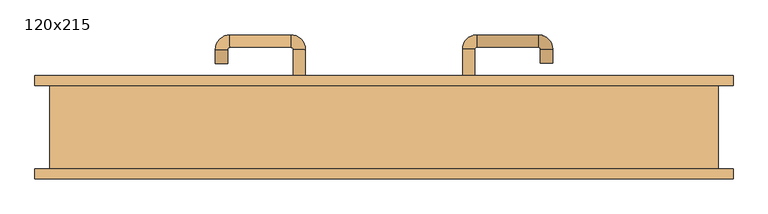
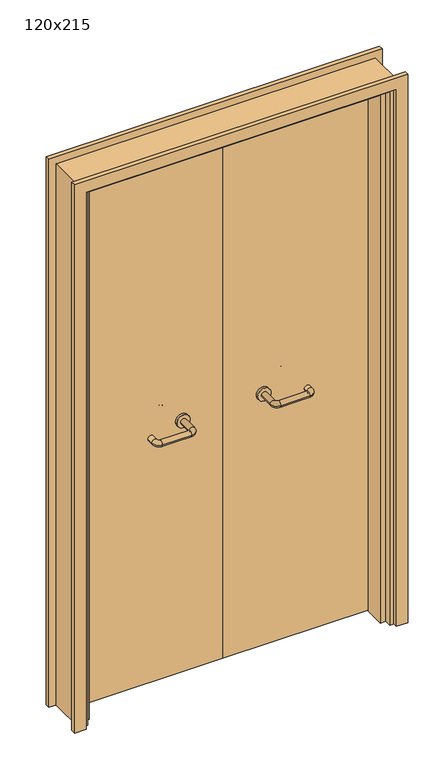
"""IFC4 building model written with IfcOpenShell, lengths in millimetres: door geometry, 120x215."""

from ifc_helpers import new_model, si_unit, point, frame, frame_2d, origin, place, context, project, spatial, polyline, circle_curve, ellipse_curve, trimmed, segment, composite_curve, outline, extrude, faceted_brep, source, transform, mapped, element, save
from ifc_brep_helpers import plane_surface, cylinder_surface, revolved_surface, advanced_brep


def door_120x215_e8e50162(model_context):
    return source(origin(), model_context, "Body", "SolidModel", [
        faceted_brep([(-547.0, 28.0, 0.0), (-547.0, -50.0, 0.0), (-568.0, -50.0, 0.0), (-568.0, 28.0, 0.0), (-547.0, 28.0, 2097.0), (-547.0, -50.0, 2097.0), (-568.0, -50.0, 2118.0), (-568.0, 28.0, 2118.0), (547.0, 28.0, 0.0), (568.0, 28.0, 0.0), (568.0, -50.0, 0.0), (547.0, -50.0, 0.0), (547.0, 28.0, 2097.0), (568.0, 28.0, 2118.0), (568.0, -50.0, 2118.0), (547.0, -50.0, 2097.0)], [[[0, 1, 2, 3]], [[1, 0, 4, 5]], [[2, 1, 5, 6]], [[3, 2, 6, 7]], [[0, 3, 7, 4]], [[8, 9, 10, 11]], [[12, 13, 9, 8]], [[13, 14, 10, 9]], [[14, 15, 11, 10]], [[15, 12, 8, 11]], [[5, 4, 12, 15]], [[6, 5, 15, 14]], [[7, 6, 14, 13]], [[4, 7, 13, 12]]]),
        extrude(outline(polyline([(2177.0, 627.0), (2177.0, -627.0), (0.0, -627.0), (0.0, -583.0), (2133.0, -583.0), (2133.0, 583.0), (0.0, 583.0), (0.0, 627.0), (2177.0, 627.0)])), frame((0.0, 75.0, 0.0), z_axis=(0.0, 1.0, 0.0), x_axis=(0.0, 0.0, 1.0)), (0.0, 0.0, 1.0), 18.0),
        extrude(outline(polyline([(2177.0, -627.0), (0.0, -627.0), (0.0, -583.0), (2133.0, -583.0), (2133.0, 583.0), (0.0, 583.0), (0.0, 627.0), (2177.0, 627.0), (2177.0, -627.0)])), frame((0.0, -93.0, 0.0), z_axis=(0.0, 1.0, 0.0), x_axis=(0.0, 0.0, 1.0)), (0.0, 0.0, 1.0), 18.0),
        extrude(outline(polyline([(2150.0, -600.0), (0.0, -600.0), (0.0, -568.0), (2118.0, -568.0), (2118.0, 568.0), (0.0, 568.0), (0.0, 600.0), (2150.0, 600.0), (2150.0, -600.0)])), frame((0.0, -75.0, 0.0), z_axis=(0.0, 1.0, 0.0), x_axis=(0.0, 0.0, 1.0)), (0.0, 0.0, 1.0), 150.0),
        extrude(outline(polyline([(1.0739506, 31.0), (-565.0, 31.0), (-565.0, 75.0), (1.0739506, 75.0), (1.0739506, 31.0)])), frame((0.0, 0.0, 1.753223), z_axis=(0.0, 0.0, 1.0), x_axis=(1.0, 0.0, 0.0)), (0.0, 0.0, 1.0), 2107.246777),
        extrude(outline(polyline([(565.0, 31.0), (1.0739506, 31.0), (1.0739506, 75.0), (565.0, 75.0), (565.0, 31.0)])), frame((0.0, 0.0, 1.753223), z_axis=(0.0, 0.0, 1.0), x_axis=(1.0, 0.0, 0.0)), (0.0, 0.0, 1.0), 2116.246777),
        extrude(outline(polyline([(2150.0, -600.0), (0.0, -600.0), (0.0, -568.0), (2118.0, -568.0), (2118.0, 568.0), (0.0, 568.0), (0.0, 600.0), (2150.0, 600.0), (2150.0, -600.0)])), frame((0.0, -75.0, 0.0), z_axis=(0.0, 1.0, 0.0), x_axis=(0.0, 0.0, 1.0)), (0.0, 0.0, 1.0), 150.0),
        advanced_brep(
        [(140.99898, 21.0, 1003.0), (162.99898, 21.0, 1003.0), (140.99898, -34.3525369, 1003.0), (162.99898, -34.3525369, 1003.0), (166.99898, -38.3525369, 1003.0), (166.99898, -60.3525369, 1003.0), (276.99898, -60.3525369, 1003.0), (276.99898, -38.3525369, 1003.0), (280.99898, -34.3525369, 1003.0), (302.99898, -34.3525369, 1003.0), (302.99898, -17.0, 1003.0), (280.99898, -17.0, 1003.0)],
        [
            (0, 1, circle_curve(frame((151.99898, 21.0, 1003.0), z_axis=(0.0, 1.0, 0.0), x_axis=(1.0, 0.0, 0.0)), 11.0)),
            (1, 0, circle_curve(frame((151.99898, 21.0, 1003.0), z_axis=(0.0, 1.0, 0.0), x_axis=(1.0, 0.0, 0.0)), 11.0)),
            (0, 2),
            (2, 3, circle_curve(frame((151.99898, -34.3525369, 1003.0), z_axis=(0.0, 1.0, 0.0), x_axis=(1.0, 0.0, 0.0)), 11.0)),
            (3, 1),
            (3, 2, circle_curve(frame((151.99898, -34.3525369, 1003.0), z_axis=(0.0, 1.0, 0.0), x_axis=(1.0, 0.0, 0.0)), 11.0)),
            (4, 3, circle_curve(frame((166.99898, -34.3525369, 1003.0), z_axis=(0.0, 0.0, -1.0), x_axis=(-1.0, 0.0, 0.0)), 4.0)),
            (2, 5, circle_curve(frame((166.99898, -34.3525369, 1003.0), z_axis=(0.0, 0.0, 1.0), x_axis=(-1.0, 0.0, 0.0)), 26.0)),
            (5, 4, circle_curve(frame((166.99898, -49.3525369, 1003.0), z_axis=(-1.0, 0.0, 0.0), x_axis=(0.0, 1.0, 0.0)), 11.0)),
            (4, 5, circle_curve(frame((166.99898, -49.3525369, 1003.0), z_axis=(-1.0, 0.0, 0.0), x_axis=(0.0, 1.0, 0.0)), 11.0)),
            (5, 6),
            (6, 7, circle_curve(frame((276.99898, -49.3525369, 1003.0), z_axis=(-1.0, 0.0, 0.0), x_axis=(0.0, 1.0, 0.0)), 11.0)),
            (7, 4),
            (7, 6, circle_curve(frame((276.99898, -49.3525369, 1003.0), z_axis=(-1.0, 0.0, 0.0), x_axis=(0.0, 1.0, 0.0)), 11.0)),
            (8, 7, circle_curve(frame((276.99898, -34.3525369, 1003.0), z_axis=(0.0, 0.0, -1.0), x_axis=(0.0, -1.0, 0.0)), 4.0)),
            (6, 9, circle_curve(frame((276.99898, -34.3525369, 1003.0), z_axis=(0.0, 0.0, 1.0), x_axis=(0.0, -1.0, 0.0)), 26.0)),
            (9, 8, circle_curve(frame((291.99898, -34.3525369, 1003.0), z_axis=(0.0, -1.0, 0.0), x_axis=(-1.0, 0.0, 0.0)), 11.0)),
            (8, 9, circle_curve(frame((291.99898, -34.3525369, 1003.0), z_axis=(0.0, -1.0, 0.0), x_axis=(-1.0, 0.0, 0.0)), 11.0)),
            (10, 11, circle_curve(frame((291.99898, -17.0, 1003.0), z_axis=(0.0, 1.0, 0.0), x_axis=(-1.0, 0.0, 0.0)), 11.0)),
            (11, 10, circle_curve(frame((291.99898, -17.0, 1003.0), z_axis=(0.0, 1.0, 0.0), x_axis=(-1.0, 0.0, 0.0)), 11.0)),
            (9, 10),
            (11, 8),
        ],
        [
            plane_surface(frame((140.99898, 21.0, 1003.0), z_axis=(0.0, 1.0, 0.0), x_axis=(0.0, 0.0, -1.0))),
            cylinder_surface(frame((151.99898, 21.0, 1003.0), z_axis=(0.0, 1.0, 0.0), x_axis=(1.0, 0.0, 0.0)), 11.0),
            revolved_surface(trimmed(ellipse_curve(frame((151.99898, -34.3525369, 1003.0), z_axis=(0.0, 1.0, 0.0), x_axis=(1.0, 0.0, 0.0)), 11.0, 11.0), [point((140.99898, -34.3525369, 1003.0))], [point((162.99898, -34.3525369, 1003.0))], True, "CARTESIAN"), (166.99898, -34.3525369, 1003.0), (0.0, 0.0, 1.0)),
            revolved_surface(trimmed(ellipse_curve(frame((151.99898, -34.3525369, 1003.0), z_axis=(0.0, 1.0, 0.0), x_axis=(1.0, 0.0, 0.0)), 11.0, 11.0), [point((162.99898, -34.3525369, 1003.0))], [point((140.99898, -34.3525369, 1003.0))], True, "CARTESIAN"), (166.99898, -34.3525369, 1003.0), (0.0, 0.0, 1.0)),
            cylinder_surface(frame((166.99898, -49.3525369, 1003.0), z_axis=(-1.0, 0.0, 0.0), x_axis=(0.0, 1.0, 0.0)), 11.0),
            revolved_surface(trimmed(ellipse_curve(frame((276.99898, -49.3525369, 1003.0), z_axis=(-1.0, 0.0, 0.0), x_axis=(0.0, 1.0, 0.0)), 11.0, 11.0), [point((276.99898, -60.3525369, 1003.0))], [point((276.99898, -38.3525369, 1003.0))], True, "CARTESIAN"), (276.99898, -34.3525369, 1003.0), (0.0, 0.0, 1.0)),
            revolved_surface(trimmed(ellipse_curve(frame((276.99898, -49.3525369, 1003.0), z_axis=(-1.0, 0.0, 0.0), x_axis=(0.0, 1.0, 0.0)), 11.0, 11.0), [point((276.99898, -38.3525369, 1003.0))], [point((276.99898, -60.3525369, 1003.0))], True, "CARTESIAN"), (276.99898, -34.3525369, 1003.0), (0.0, 0.0, 1.0)),
            plane_surface(frame((280.99898, -17.0, 1003.0), z_axis=(0.0, 1.0, 0.0), x_axis=(0.0, 0.0, 1.0))),
            cylinder_surface(frame((291.99898, -34.3525369, 1003.0), z_axis=(0.0, -1.0, 0.0), x_axis=(-1.0, 0.0, 0.0)), 11.0),
        ],
        [
            (0, [[1, 2]]),
            (1, [[-1, 3, 4, 5]]),
            (1, [[-2, -5, 6, -3]]),
            (2, [[7, -4, 8, 9]]),
            (3, [[-8, -6, -7, 10]]),
            (4, [[-9, 11, 12, 13]]),
            (4, [[-10, -13, 14, -11]]),
            (5, [[15, -12, 16, 17]]),
            (6, [[-16, -14, -15, 18]]),
            (7, [[19, 20]]),
            (8, [[-17, 21, -20, 22]]),
            (8, [[-18, -22, -19, -21]]),
        ],
    ),
        extrude(outline(composite_curve([segment(trimmed(circle_curve(frame_2d((1003.0, 151.99898)), 25.0), [point((1003.0, 126.99898))], [point((1003.0, 176.99898))], False, "CARTESIAN"), True, "CONTINUOUS"), segment(trimmed(circle_curve(frame_2d((1003.0, 151.99898)), 25.0), [point((1003.0, 176.99898))], [point((1003.0, 126.99898))], False, "CARTESIAN"), True, "CONTINUOUS")], self_intersect=False)), frame((0.0, 21.0, 0.0), z_axis=(0.0, 1.0, 0.0), x_axis=(0.0, 0.0, 1.0)), (0.0, 0.0, 1.0), 10.0),
        advanced_brep(
        [(162.99898, 85.0, 1003.0), (140.99898, 85.0, 1003.0), (162.99898, 140.0, 1003.0), (140.99898, 140.0, 1003.0), (166.99898, 166.0, 1003.0), (166.99898, 144.0, 1003.0), (276.99898, 144.0, 1003.0), (276.99898, 166.0, 1003.0), (302.99898, 140.0, 1003.0), (280.99898, 140.0, 1003.0), (280.99898, 115.0, 1003.0), (302.99898, 115.0, 1003.0)],
        [
            (0, 1, circle_curve(frame((151.99898, 85.0, 1003.0), z_axis=(0.0, -1.0, 0.0), x_axis=(-1.0, 0.0, 0.0)), 11.0)),
            (1, 0, circle_curve(frame((151.99898, 85.0, 1003.0), z_axis=(0.0, -1.0, 0.0), x_axis=(-1.0, 0.0, 0.0)), 11.0)),
            (0, 2),
            (2, 3, circle_curve(frame((151.99898, 140.0, 1003.0), z_axis=(0.0, -1.0, 0.0), x_axis=(-1.0, 0.0, 0.0)), 11.0)),
            (3, 1),
            (3, 2, circle_curve(frame((151.99898, 140.0, 1003.0), z_axis=(0.0, -1.0, 0.0), x_axis=(-1.0, 0.0, 0.0)), 11.0)),
            (4, 3, circle_curve(frame((166.99898, 140.0, 1003.0), z_axis=(0.0, 0.0, 1.0), x_axis=(-1.0, 0.0, 0.0)), 26.0)),
            (2, 5, circle_curve(frame((166.99898, 140.0, 1003.0), z_axis=(0.0, 0.0, -1.0), x_axis=(-1.0, 0.0, 0.0)), 4.0)),
            (5, 4, circle_curve(frame((166.99898, 155.0, 1003.0), z_axis=(-1.0, 0.0, 0.0), x_axis=(0.0, 1.0, 0.0)), 11.0)),
            (4, 5, circle_curve(frame((166.99898, 155.0, 1003.0), z_axis=(-1.0, 0.0, 0.0), x_axis=(0.0, 1.0, 0.0)), 11.0)),
            (5, 6),
            (6, 7, circle_curve(frame((276.99898, 155.0, 1003.0), z_axis=(-1.0, 0.0, 0.0), x_axis=(0.0, 1.0, 0.0)), 11.0)),
            (7, 4),
            (7, 6, circle_curve(frame((276.99898, 155.0, 1003.0), z_axis=(-1.0, 0.0, 0.0), x_axis=(0.0, 1.0, 0.0)), 11.0)),
            (8, 7, circle_curve(frame((276.99898, 140.0, 1003.0), z_axis=(0.0, 0.0, 1.0), x_axis=(0.0, 1.0, 0.0)), 26.0)),
            (6, 9, circle_curve(frame((276.99898, 140.0, 1003.0), z_axis=(0.0, 0.0, -1.0), x_axis=(0.0, 1.0, 0.0)), 4.0)),
            (9, 8, circle_curve(frame((291.99898, 140.0, 1003.0), z_axis=(0.0, 1.0, 0.0), x_axis=(1.0, 0.0, 0.0)), 11.0)),
            (8, 9, circle_curve(frame((291.99898, 140.0, 1003.0), z_axis=(0.0, 1.0, 0.0), x_axis=(1.0, 0.0, 0.0)), 11.0)),
            (10, 11, circle_curve(frame((291.99898, 115.0, 1003.0), z_axis=(0.0, -1.0, 0.0), x_axis=(1.0, 0.0, 0.0)), 11.0)),
            (11, 10, circle_curve(frame((291.99898, 115.0, 1003.0), z_axis=(0.0, -1.0, 0.0), x_axis=(1.0, 0.0, 0.0)), 11.0)),
            (9, 10),
            (11, 8),
        ],
        [
            plane_surface(frame((140.99898, 85.0, 1003.0), z_axis=(0.0, -1.0, 0.0), x_axis=(0.0, 0.0, 1.0))),
            cylinder_surface(frame((151.99898, 85.0, 1003.0), z_axis=(0.0, -1.0, 0.0), x_axis=(-1.0, 0.0, 0.0)), 11.0),
            revolved_surface(trimmed(ellipse_curve(frame((151.99898, 140.0, 1003.0), z_axis=(0.0, -1.0, 0.0), x_axis=(-1.0, 0.0, 0.0)), 11.0, 11.0), [point((162.99898, 140.0, 1003.0))], [point((140.99898, 140.0, 1003.0))], True, "CARTESIAN"), (166.99898, 140.0, 1003.0), (0.0, 0.0, -1.0)),
            revolved_surface(trimmed(ellipse_curve(frame((151.99898, 140.0, 1003.0), z_axis=(0.0, -1.0, 0.0), x_axis=(-1.0, 0.0, 0.0)), 11.0, 11.0), [point((140.99898, 140.0, 1003.0))], [point((162.99898, 140.0, 1003.0))], True, "CARTESIAN"), (166.99898, 140.0, 1003.0), (0.0, 0.0, -1.0)),
            cylinder_surface(frame((166.99898, 155.0, 1003.0), z_axis=(-1.0, 0.0, 0.0), x_axis=(0.0, 1.0, 0.0)), 11.0),
            revolved_surface(trimmed(ellipse_curve(frame((276.99898, 155.0, 1003.0), z_axis=(-1.0, 0.0, 0.0), x_axis=(0.0, 1.0, 0.0)), 11.0, 11.0), [point((276.99898, 144.0, 1003.0))], [point((276.99898, 166.0, 1003.0))], True, "CARTESIAN"), (276.99898, 140.0, 1003.0), (0.0, 0.0, -1.0)),
            revolved_surface(trimmed(ellipse_curve(frame((276.99898, 155.0, 1003.0), z_axis=(-1.0, 0.0, 0.0), x_axis=(0.0, 1.0, 0.0)), 11.0, 11.0), [point((276.99898, 166.0, 1003.0))], [point((276.99898, 144.0, 1003.0))], True, "CARTESIAN"), (276.99898, 140.0, 1003.0), (0.0, 0.0, -1.0)),
            plane_surface(frame((280.99898, 115.0, 1003.0), z_axis=(0.0, -1.0, 0.0), x_axis=(0.0, 0.0, -1.0))),
            cylinder_surface(frame((291.99898, 140.0, 1003.0), z_axis=(0.0, 1.0, 0.0), x_axis=(1.0, 0.0, 0.0)), 11.0),
        ],
        [
            (0, [[1, 2]]),
            (1, [[-1, 3, 4, 5]]),
            (1, [[-2, -5, 6, -3]]),
            (2, [[7, -4, 8, 9]]),
            (3, [[-8, -6, -7, 10]]),
            (4, [[-9, 11, 12, 13]]),
            (4, [[-10, -13, 14, -11]]),
            (5, [[15, -12, 16, 17]]),
            (6, [[-16, -14, -15, 18]]),
            (7, [[19, 20]]),
            (8, [[-17, 21, -20, 22]]),
            (8, [[-18, -22, -19, -21]]),
        ],
    ),
        extrude(outline(composite_curve([segment(trimmed(circle_curve(frame_2d((1003.0, 151.99898)), 25.0), [point((1003.0, 176.99898))], [point((1003.0, 126.99898))], False, "CARTESIAN"), True, "CONTINUOUS"), segment(trimmed(circle_curve(frame_2d((1003.0, 151.99898)), 25.0), [point((1003.0, 126.99898))], [point((1003.0, 176.99898))], False, "CARTESIAN"), True, "CONTINUOUS")], self_intersect=False)), frame((0.0, 75.0, 0.0), z_axis=(0.0, 1.0, 0.0), x_axis=(0.0, 0.0, 1.0)), (0.0, 0.0, 1.0), 10.0),
        advanced_brep(
        [(-162.99898, 20.6886121, 1003.0), (-140.99898, 20.6886121, 1003.0), (-162.99898, -34.7220447, 1003.0), (-140.99898, -34.7220447, 1003.0), (-166.99898, -60.7220447, 1003.0), (-166.99898, -38.7220447, 1003.0), (-276.99898, -38.7220447, 1003.0), (-276.99898, -60.7220447, 1003.0), (-302.99898, -34.7220447, 1003.0), (-280.99898, -34.7220447, 1003.0), (-280.99898, -9.7220447, 1003.0), (-302.99898, -9.7220447, 1003.0)],
        [
            (0, 1, circle_curve(frame((-151.99898, 20.6886121, 1003.0), z_axis=(0.0, 1.0, 0.0), x_axis=(1.0, 0.0, 0.0)), 11.0)),
            (1, 0, circle_curve(frame((-151.99898, 20.6886121, 1003.0), z_axis=(0.0, 1.0, 0.0), x_axis=(1.0, 0.0, 0.0)), 11.0)),
            (0, 2),
            (2, 3, circle_curve(frame((-151.99898, -34.7220447, 1003.0), z_axis=(0.0, 1.0, 0.0), x_axis=(1.0, 0.0, 0.0)), 11.0)),
            (3, 1),
            (3, 2, circle_curve(frame((-151.99898, -34.7220447, 1003.0), z_axis=(0.0, 1.0, 0.0), x_axis=(1.0, 0.0, 0.0)), 11.0)),
            (4, 3, circle_curve(frame((-166.99898, -34.7220447, 1003.0), z_axis=(0.0, 0.0, 1.0), x_axis=(1.0, 0.0, 0.0)), 26.0)),
            (2, 5, circle_curve(frame((-166.99898, -34.7220447, 1003.0), z_axis=(0.0, 0.0, -1.0), x_axis=(1.0, 0.0, 0.0)), 4.0)),
            (5, 4, circle_curve(frame((-166.99898, -49.7220447, 1003.0), z_axis=(1.0, 0.0, 0.0), x_axis=(0.0, -1.0, 0.0)), 11.0)),
            (4, 5, circle_curve(frame((-166.99898, -49.7220447, 1003.0), z_axis=(1.0, 0.0, 0.0), x_axis=(0.0, -1.0, 0.0)), 11.0)),
            (5, 6),
            (6, 7, circle_curve(frame((-276.99898, -49.7220447, 1003.0), z_axis=(1.0, 0.0, 0.0), x_axis=(0.0, -1.0, 0.0)), 11.0)),
            (7, 4),
            (7, 6, circle_curve(frame((-276.99898, -49.7220447, 1003.0), z_axis=(1.0, 0.0, 0.0), x_axis=(0.0, -1.0, 0.0)), 11.0)),
            (8, 7, circle_curve(frame((-276.99898, -34.7220447, 1003.0), z_axis=(0.0, 0.0, 1.0), x_axis=(0.0, -1.0, 0.0)), 26.0)),
            (6, 9, circle_curve(frame((-276.99898, -34.7220447, 1003.0), z_axis=(0.0, 0.0, -1.0), x_axis=(0.0, -1.0, 0.0)), 4.0)),
            (9, 8, circle_curve(frame((-291.99898, -34.7220447, 1003.0), z_axis=(0.0, -1.0, 0.0), x_axis=(-1.0, 0.0, 0.0)), 11.0)),
            (8, 9, circle_curve(frame((-291.99898, -34.7220447, 1003.0), z_axis=(0.0, -1.0, 0.0), x_axis=(-1.0, 0.0, 0.0)), 11.0)),
            (10, 11, circle_curve(frame((-291.99898, -9.7220447, 1003.0), z_axis=(0.0, 1.0, 0.0), x_axis=(-1.0, 0.0, 0.0)), 11.0)),
            (11, 10, circle_curve(frame((-291.99898, -9.7220447, 1003.0), z_axis=(0.0, 1.0, 0.0), x_axis=(-1.0, 0.0, 0.0)), 11.0)),
            (9, 10),
            (11, 8),
        ],
        [
            plane_surface(frame((-162.99898, 20.6886121, 1003.0), z_axis=(0.0, 1.0, 0.0), x_axis=(0.0, 0.0, -1.0))),
            cylinder_surface(frame((-151.99898, 20.6886121, 1003.0), z_axis=(0.0, 1.0, 0.0), x_axis=(1.0, 0.0, 0.0)), 11.0),
            revolved_surface(trimmed(ellipse_curve(frame((-151.99898, -34.7220447, 1003.0), z_axis=(0.0, 1.0, 0.0), x_axis=(1.0, 0.0, 0.0)), 11.0, 11.0), [point((-162.99898, -34.7220447, 1003.0))], [point((-140.99898, -34.7220447, 1003.0))], True, "CARTESIAN"), (-166.99898, -34.7220447, 1003.0), (0.0, 0.0, -1.0)),
            revolved_surface(trimmed(ellipse_curve(frame((-151.99898, -34.7220447, 1003.0), z_axis=(0.0, 1.0, 0.0), x_axis=(1.0, 0.0, 0.0)), 11.0, 11.0), [point((-140.99898, -34.7220447, 1003.0))], [point((-162.99898, -34.7220447, 1003.0))], True, "CARTESIAN"), (-166.99898, -34.7220447, 1003.0), (0.0, 0.0, -1.0)),
            cylinder_surface(frame((-166.99898, -49.7220447, 1003.0), z_axis=(1.0, 0.0, 0.0), x_axis=(0.0, -1.0, 0.0)), 11.0),
            revolved_surface(trimmed(ellipse_curve(frame((-276.99898, -49.7220447, 1003.0), z_axis=(1.0, 0.0, 0.0), x_axis=(0.0, -1.0, 0.0)), 11.0, 11.0), [point((-276.99898, -38.7220447, 1003.0))], [point((-276.99898, -60.7220447, 1003.0))], True, "CARTESIAN"), (-276.99898, -34.7220447, 1003.0), (0.0, 0.0, -1.0)),
            revolved_surface(trimmed(ellipse_curve(frame((-276.99898, -49.7220447, 1003.0), z_axis=(1.0, 0.0, 0.0), x_axis=(0.0, -1.0, 0.0)), 11.0, 11.0), [point((-276.99898, -60.7220447, 1003.0))], [point((-276.99898, -38.7220447, 1003.0))], True, "CARTESIAN"), (-276.99898, -34.7220447, 1003.0), (0.0, 0.0, -1.0)),
            plane_surface(frame((-302.99898, -9.7220447, 1003.0), z_axis=(0.0, 1.0, 0.0), x_axis=(0.0, 0.0, 1.0))),
            cylinder_surface(frame((-291.99898, -34.7220447, 1003.0), z_axis=(0.0, -1.0, 0.0), x_axis=(-1.0, 0.0, 0.0)), 11.0),
        ],
        [
            (0, [[1, 2]]),
            (1, [[-1, 3, 4, 5]]),
            (1, [[-2, -5, 6, -3]]),
            (2, [[7, -4, 8, 9]]),
            (3, [[-8, -6, -7, 10]]),
            (4, [[-9, 11, 12, 13]]),
            (4, [[-10, -13, 14, -11]]),
            (5, [[15, -12, 16, 17]]),
            (6, [[-16, -14, -15, 18]]),
            (7, [[19, 20]]),
            (8, [[-17, 21, -20, 22]]),
            (8, [[-18, -22, -19, -21]]),
        ],
    ),
        extrude(outline(composite_curve([segment(trimmed(circle_curve(frame_2d((1003.0, -151.99898)), 25.0), [point((1003.0, -176.99898))], [point((1003.0, -126.99898))], False, "CARTESIAN"), True, "CONTINUOUS"), segment(trimmed(circle_curve(frame_2d((1003.0, -151.99898)), 25.0), [point((1003.0, -126.99898))], [point((1003.0, -176.99898))], False, "CARTESIAN"), True, "CONTINUOUS")], self_intersect=False)), frame((0.0, 20.6886121, 0.0), z_axis=(0.0, 1.0, 0.0), x_axis=(0.0, 0.0, 1.0)), (0.0, 0.0, 1.0), 10.3113879),
        advanced_brep(
        [(-140.99898, 84.5143417, 1003.0), (-162.99898, 84.5143417, 1003.0), (-140.99898, 139.6104656, 1003.0), (-162.99898, 139.6104656, 1003.0), (-166.99898, 143.6104656, 1003.0), (-166.99898, 165.6104656, 1003.0), (-276.99898, 165.6104656, 1003.0), (-276.99898, 143.6104656, 1003.0), (-280.99898, 139.6104656, 1003.0), (-302.99898, 139.6104656, 1003.0), (-302.99898, 114.6104656, 1003.0), (-280.99898, 114.6104656, 1003.0)],
        [
            (0, 1, circle_curve(frame((-151.99898, 84.5143417, 1003.0), z_axis=(0.0, -1.0, 0.0), x_axis=(-1.0, 0.0, 0.0)), 11.0)),
            (1, 0, circle_curve(frame((-151.99898, 84.5143417, 1003.0), z_axis=(0.0, -1.0, 0.0), x_axis=(-1.0, 0.0, 0.0)), 11.0)),
            (0, 2),
            (2, 3, circle_curve(frame((-151.99898, 139.6104656, 1003.0), z_axis=(0.0, -1.0, 0.0), x_axis=(-1.0, 0.0, 0.0)), 11.0)),
            (3, 1),
            (3, 2, circle_curve(frame((-151.99898, 139.6104656, 1003.0), z_axis=(0.0, -1.0, 0.0), x_axis=(-1.0, 0.0, 0.0)), 11.0)),
            (4, 3, circle_curve(frame((-166.99898, 139.6104656, 1003.0), z_axis=(0.0, 0.0, -1.0), x_axis=(1.0, 0.0, 0.0)), 4.0)),
            (2, 5, circle_curve(frame((-166.99898, 139.6104656, 1003.0), z_axis=(0.0, 0.0, 1.0), x_axis=(1.0, 0.0, 0.0)), 26.0)),
            (5, 4, circle_curve(frame((-166.99898, 154.6104656, 1003.0), z_axis=(1.0, 0.0, 0.0), x_axis=(0.0, -1.0, 0.0)), 11.0)),
            (4, 5, circle_curve(frame((-166.99898, 154.6104656, 1003.0), z_axis=(1.0, 0.0, 0.0), x_axis=(0.0, -1.0, 0.0)), 11.0)),
            (5, 6),
            (6, 7, circle_curve(frame((-276.99898, 154.6104656, 1003.0), z_axis=(1.0, 0.0, 0.0), x_axis=(0.0, -1.0, 0.0)), 11.0)),
            (7, 4),
            (7, 6, circle_curve(frame((-276.99898, 154.6104656, 1003.0), z_axis=(1.0, 0.0, 0.0), x_axis=(0.0, -1.0, 0.0)), 11.0)),
            (8, 7, circle_curve(frame((-276.99898, 139.6104656, 1003.0), z_axis=(0.0, 0.0, -1.0), x_axis=(0.0, 1.0, 0.0)), 4.0)),
            (6, 9, circle_curve(frame((-276.99898, 139.6104656, 1003.0), z_axis=(0.0, 0.0, 1.0), x_axis=(0.0, 1.0, 0.0)), 26.0)),
            (9, 8, circle_curve(frame((-291.99898, 139.6104656, 1003.0), z_axis=(0.0, 1.0, 0.0), x_axis=(1.0, 0.0, 0.0)), 11.0)),
            (8, 9, circle_curve(frame((-291.99898, 139.6104656, 1003.0), z_axis=(0.0, 1.0, 0.0), x_axis=(1.0, 0.0, 0.0)), 11.0)),
            (10, 11, circle_curve(frame((-291.99898, 114.6104656, 1003.0), z_axis=(0.0, -1.0, 0.0), x_axis=(1.0, 0.0, 0.0)), 11.0)),
            (11, 10, circle_curve(frame((-291.99898, 114.6104656, 1003.0), z_axis=(0.0, -1.0, 0.0), x_axis=(1.0, 0.0, 0.0)), 11.0)),
            (9, 10),
            (11, 8),
        ],
        [
            plane_surface(frame((-162.99898, 84.5143417, 1003.0), z_axis=(0.0, -1.0, 0.0), x_axis=(0.0, 0.0, 1.0))),
            cylinder_surface(frame((-151.99898, 84.5143417, 1003.0), z_axis=(0.0, -1.0, 0.0), x_axis=(-1.0, 0.0, 0.0)), 11.0),
            revolved_surface(trimmed(ellipse_curve(frame((-151.99898, 139.6104656, 1003.0), z_axis=(0.0, -1.0, 0.0), x_axis=(-1.0, 0.0, 0.0)), 11.0, 11.0), [point((-140.99898, 139.6104656, 1003.0))], [point((-162.99898, 139.6104656, 1003.0))], True, "CARTESIAN"), (-166.99898, 139.6104656, 1003.0), (0.0, 0.0, 1.0)),
            revolved_surface(trimmed(ellipse_curve(frame((-151.99898, 139.6104656, 1003.0), z_axis=(0.0, -1.0, 0.0), x_axis=(-1.0, 0.0, 0.0)), 11.0, 11.0), [point((-162.99898, 139.6104656, 1003.0))], [point((-140.99898, 139.6104656, 1003.0))], True, "CARTESIAN"), (-166.99898, 139.6104656, 1003.0), (0.0, 0.0, 1.0)),
            cylinder_surface(frame((-166.99898, 154.6104656, 1003.0), z_axis=(1.0, 0.0, 0.0), x_axis=(0.0, -1.0, 0.0)), 11.0),
            revolved_surface(trimmed(ellipse_curve(frame((-276.99898, 154.6104656, 1003.0), z_axis=(1.0, 0.0, 0.0), x_axis=(0.0, -1.0, 0.0)), 11.0, 11.0), [point((-276.99898, 165.6104656, 1003.0))], [point((-276.99898, 143.6104656, 1003.0))], True, "CARTESIAN"), (-276.99898, 139.6104656, 1003.0), (0.0, 0.0, 1.0)),
            revolved_surface(trimmed(ellipse_curve(frame((-276.99898, 154.6104656, 1003.0), z_axis=(1.0, 0.0, 0.0), x_axis=(0.0, -1.0, 0.0)), 11.0, 11.0), [point((-276.99898, 143.6104656, 1003.0))], [point((-276.99898, 165.6104656, 1003.0))], True, "CARTESIAN"), (-276.99898, 139.6104656, 1003.0), (0.0, 0.0, 1.0)),
            plane_surface(frame((-302.99898, 114.6104656, 1003.0), z_axis=(0.0, -1.0, 0.0), x_axis=(0.0, 0.0, -1.0))),
            cylinder_surface(frame((-291.99898, 139.6104656, 1003.0), z_axis=(0.0, 1.0, 0.0), x_axis=(1.0, 0.0, 0.0)), 11.0),
        ],
        [
            (0, [[1, 2]]),
            (1, [[-1, 3, 4, 5]]),
            (1, [[-2, -5, 6, -3]]),
            (2, [[7, -4, 8, 9]]),
            (3, [[-8, -6, -7, 10]]),
            (4, [[-9, 11, 12, 13]]),
            (4, [[-10, -13, 14, -11]]),
            (5, [[15, -12, 16, 17]]),
            (6, [[-16, -14, -15, 18]]),
            (7, [[19, 20]]),
            (8, [[-17, 21, -20, 22]]),
            (8, [[-18, -22, -19, -21]]),
        ],
    ),
        extrude(outline(composite_curve([segment(trimmed(circle_curve(frame_2d((1003.0, -151.99898)), 25.0), [point((1003.0, -126.99898))], [point((1003.0, -176.99898))], False, "CARTESIAN"), True, "CONTINUOUS"), segment(trimmed(circle_curve(frame_2d((1003.0, -151.99898)), 25.0), [point((1003.0, -176.99898))], [point((1003.0, -126.99898))], False, "CARTESIAN"), True, "CONTINUOUS")], self_intersect=False)), frame((0.0, 75.0, 0.0), z_axis=(0.0, 1.0, 0.0), x_axis=(0.0, 0.0, 1.0)), (0.0, 0.0, 1.0), 9.5143417),
    ])


if __name__ == "__main__":
    model = new_model("IFC4")
    model_context = context("Model", 3, world=origin())
    ifc_project = project(units=[si_unit("LENGTHUNIT", "METRE", prefix="MILLI")], contexts=[model_context])
    site = spatial("IfcSite", under=ifc_project)
    building = spatial("IfcBuilding", under=site)
    placement = place(None, origin())
    door_120x215_shape = door_120x215_e8e50162(model_context)
    element("IfcDoor", 1, ObjectType="120x215", at=placement, inside=building, context=model_context, shape_type="MappedRepresentation", body=[
        mapped(door_120x215_shape, transform((0.0, 0.0, 0.0), x_axis=(1.0, 0.0, 0.0), y_axis=(0.0, 1.0, 0.0), z_axis=(0.0, 0.0, 1.0))),
    ])
    save(model, "model.ifc")
